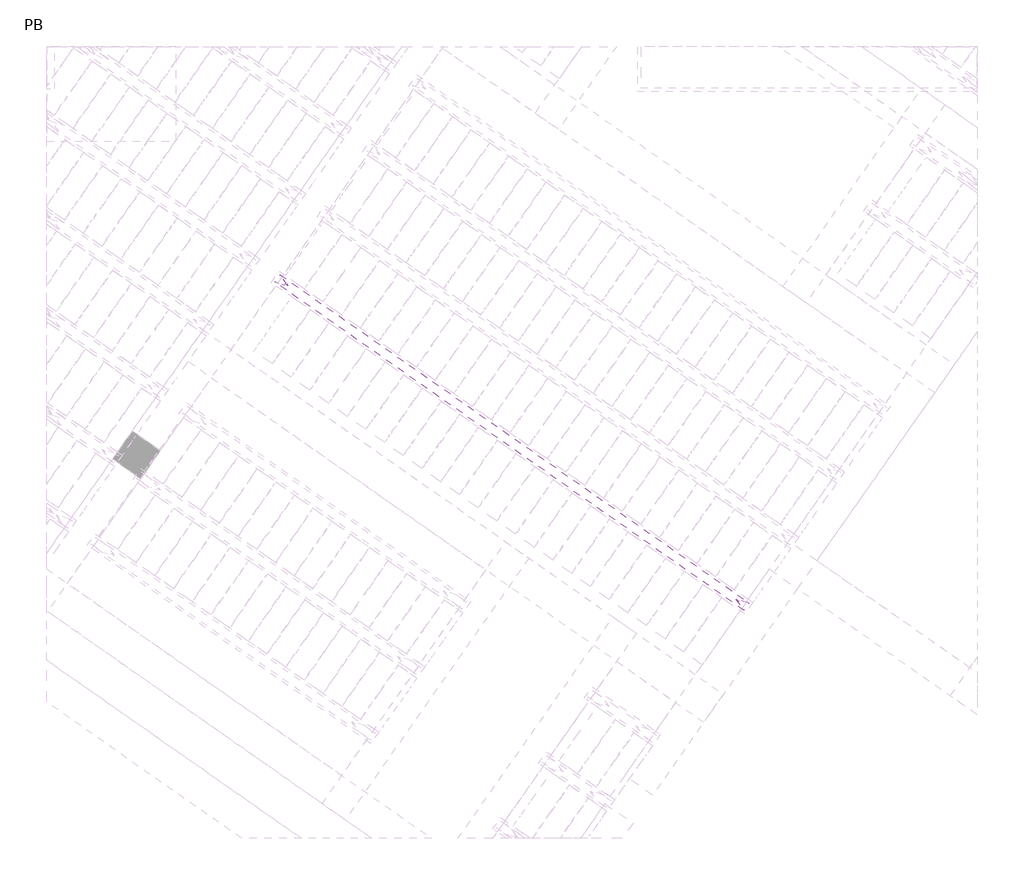
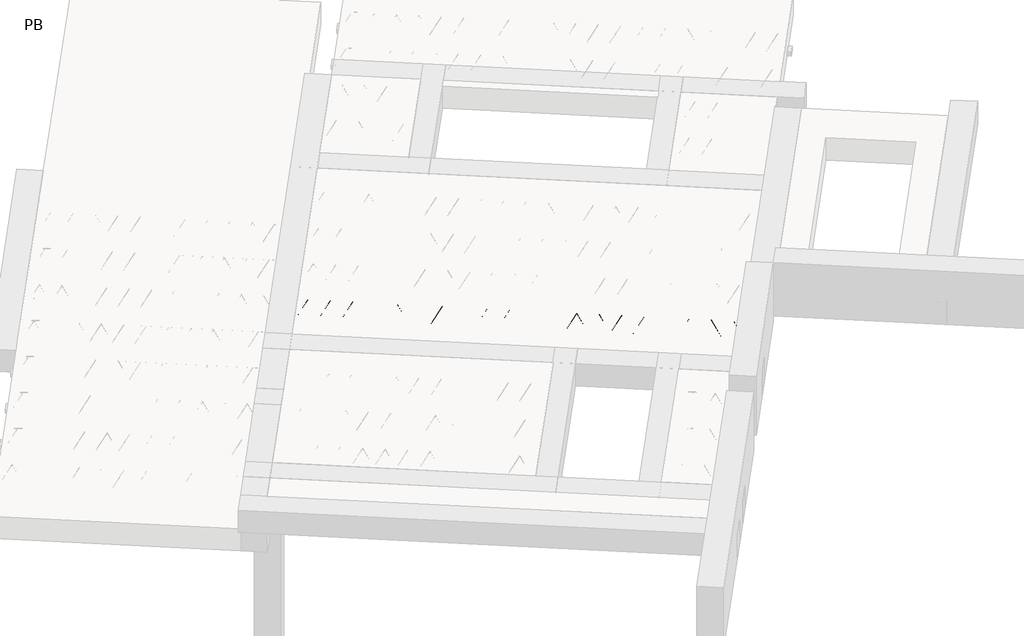
# One storey, part 19 of 56: 1 beam.
"""IFC4 building model written with IfcOpenShell, lengths in millimetres."""

from ifc_helpers import new_model, si_unit, point, frame, origin, origin_2d, place, context, project, spatial, circle_curve, trimmed, segment, composite_curve, outline, extrude, element, save

model = new_model("IFC4")

# Units and contexts
model_context = context("Model", 3, world=origin())
ifc_project = project(units=[si_unit("LENGTHUNIT", "METRE", prefix="MILLI")], contexts=[model_context])

# Site, building, storey
site = spatial("IfcSite", under=ifc_project)
building = spatial("IfcBuilding", under=site)
storey = spatial("IfcBuildingStorey", under=building, Name="PB", Elevation=95940.0)

# Beam
placement = place(None, origin())
element("IfcBeam", 1, at=placement, inside=storey, context=model_context, shape_type="SweptSolid", body=[
    extrude(outline(composite_curve([segment(trimmed(circle_curve(origin_2d(), 2.5), [point((-2.5, 0.0))], [point((2.5, 0.0))], False, "CARTESIAN"), True, "CONTINUOUS"), segment(trimmed(circle_curve(origin_2d(), 2.5), [point((2.5, 0.0))], [point((-2.5, 0.0))], False, "CARTESIAN"), True, "CONTINUOUS")], self_intersect=False)), frame((7469.0442231, 903.6349706, 99245.0), z_axis=(-0.8191520442696126, 0.5735764363787226, 0.0), x_axis=(0.5735764363787226, 0.8191520442696126, 0.0)), (0.0, 0.0, 1.0), 5017.554035),
    extrude(outline(composite_curve([segment(trimmed(circle_curve(origin_2d(), 2.5), [point((-2.4999999, 0.0))], [point((2.5, 0.0))], False, "CARTESIAN"), True, "CONTINUOUS"), segment(trimmed(circle_curve(origin_2d(), 2.5), [point((2.5, 0.0))], [point((-2.4999999, 0.0))], False, "CARTESIAN"), True, "CONTINUOUS")], self_intersect=False)), frame((7421.0668597, 981.1769673, 99470.0), z_axis=(-0.8191520442696126, 0.5735764363787226, 0.0), x_axis=(0.5735764363787226, 0.8191520442696126, 0.0)), (0.0, 0.0, 1.0), 4850.0),
    extrude(outline(composite_curve([segment(trimmed(circle_curve(origin_2d(), 2.5), [point((-2.5000001, 1e-07))], [point((2.5, 0.0))], False, "CARTESIAN"), True, "CONTINUOUS"), segment(trimmed(circle_curve(origin_2d(), 2.5), [point((2.5, 0.0))], [point((-2.5000001, 1e-07))], False, "CARTESIAN"), True, "CONTINUOUS")], self_intersect=False)), frame((7461.8545114, 908.669261, 99245.0), z_axis=(-0.3145304735701046, 0.38933448886848654, 0.8657304643902053), x_axis=(0.7778747638402499, 0.6284193279813057, 0.0)), (0.0, 0.0, 1.0), 259.8961331),
    extrude(outline(composite_curve([segment(trimmed(circle_curve(origin_2d(), 2.5), [point((2.5, 0.0))], [point((-2.5, 0.0))], False, "CARTESIAN"), True, "CONTINUOUS"), segment(trimmed(circle_curve(origin_2d(), 2.5), [point((-2.5, 0.0))], [point((2.5, 0.0))], False, "CARTESIAN"), True, "CONTINUOUS")], self_intersect=False)), frame((7257.0665003, 1052.0633701, 99245.0), z_axis=(0.47343050384693375, -0.16240172737369005, 0.8657304643902051), x_axis=(-0.3244721671091268, -0.9458952440791246, 0.0)), (0.0, 0.0, 1.0), 259.8961331),
    extrude(outline(composite_curve([segment(trimmed(circle_curve(origin_2d(), 2.5), [point((-2.5, 0.0))], [point((2.5, 0.0))], False, "CARTESIAN"), True, "CONTINUOUS"), segment(trimmed(circle_curve(origin_2d(), 2.5), [point((2.5, 0.0))], [point((-2.5, 0.0))], False, "CARTESIAN"), True, "CONTINUOUS")], self_intersect=False)), frame((7257.0665003, 1052.0633701, 99245.0), z_axis=(-0.3145304735701046, 0.38933448886848654, 0.8657304643902053), x_axis=(0.7778747638402499, 0.6284193279813057, 0.0)), (0.0, 0.0, 1.0), 259.8961331),
    extrude(outline(composite_curve([segment(trimmed(circle_curve(origin_2d(), 2.5), [point((2.5, 0.0))], [point((-2.5, 0.0))], False, "CARTESIAN"), True, "CONTINUOUS"), segment(trimmed(circle_curve(origin_2d(), 2.5), [point((-2.5, 0.0))], [point((2.5, 0.0))], False, "CARTESIAN"), True, "CONTINUOUS")], self_intersect=False)), frame((7052.2784892, 1195.4574792, 99245.0), z_axis=(0.47343050384693375, -0.16240172737369005, 0.8657304643902051), x_axis=(-0.3244721671091268, -0.9458952440791246, 0.0)), (0.0, 0.0, 1.0), 259.8961331),
    extrude(outline(composite_curve([segment(trimmed(circle_curve(origin_2d(), 2.5), [point((-2.5, 0.0))], [point((2.5, 0.0))], False, "CARTESIAN"), True, "CONTINUOUS"), segment(trimmed(circle_curve(origin_2d(), 2.5), [point((2.5, 0.0))], [point((-2.5, 0.0))], False, "CARTESIAN"), True, "CONTINUOUS")], self_intersect=False)), frame((7052.2784892, 1195.4574792, 99245.0), z_axis=(-0.3145304735701046, 0.38933448886848654, 0.8657304643902053), x_axis=(0.7778747638402499, 0.6284193279813057, 0.0)), (0.0, 0.0, 1.0), 259.8961331),
    extrude(outline(composite_curve([segment(trimmed(circle_curve(origin_2d(), 2.5), [point((2.5, 0.0))], [point((-2.5, 1e-07))], False, "CARTESIAN"), True, "CONTINUOUS"), segment(trimmed(circle_curve(origin_2d(), 2.5), [point((-2.5, 1e-07))], [point((2.5, 0.0))], False, "CARTESIAN"), True, "CONTINUOUS")], self_intersect=False)), frame((6847.4904781, 1338.8515883, 99245.0), z_axis=(0.47343050384693375, -0.16240172737369005, 0.8657304643902051), x_axis=(-0.3244721671091268, -0.9458952440791246, 0.0)), (0.0, 0.0, 1.0), 259.8961331),
    extrude(outline(composite_curve([segment(trimmed(circle_curve(origin_2d(), 2.5), [point((-2.5, 0.0))], [point((2.5, 0.0))], False, "CARTESIAN"), True, "CONTINUOUS"), segment(trimmed(circle_curve(origin_2d(), 2.5), [point((2.5, 0.0))], [point((-2.5, 0.0))], False, "CARTESIAN"), True, "CONTINUOUS")], self_intersect=False)), frame((6847.4904781, 1338.8515883, 99245.0), z_axis=(-0.3145304735701046, 0.38933448886848654, 0.8657304643902053), x_axis=(0.7778747638402499, 0.6284193279813057, 0.0)), (0.0, 0.0, 1.0), 259.8961331),
    extrude(outline(composite_curve([segment(trimmed(circle_curve(origin_2d(), 2.5), [point((2.5, 0.0))], [point((-2.5, 0.0))], False, "CARTESIAN"), True, "CONTINUOUS"), segment(trimmed(circle_curve(origin_2d(), 2.5), [point((-2.5, 0.0))], [point((2.5, 0.0))], False, "CARTESIAN"), True, "CONTINUOUS")], self_intersect=False)), frame((6642.7024671, 1482.2456974, 99245.0), z_axis=(0.47343050384693375, -0.16240172737369005, 0.8657304643902051), x_axis=(-0.3244721671091268, -0.9458952440791246, 0.0)), (0.0, 0.0, 1.0), 259.8961331),
    extrude(outline(composite_curve([segment(trimmed(circle_curve(origin_2d(), 2.5), [point((-2.5, 0.0))], [point((2.5, 1e-07))], False, "CARTESIAN"), True, "CONTINUOUS"), segment(trimmed(circle_curve(origin_2d(), 2.5), [point((2.5, 1e-07))], [point((-2.5, 0.0))], False, "CARTESIAN"), True, "CONTINUOUS")], self_intersect=False)), frame((6642.7024674, 1482.2456971, 99245.0), z_axis=(-0.3145304735701046, 0.38933448886848654, 0.8657304643902053), x_axis=(0.7778747638402499, 0.6284193279813057, 0.0)), (0.0, 0.0, 1.0), 259.8961331),
    extrude(outline(composite_curve([segment(trimmed(circle_curve(origin_2d(), 2.5), [point((2.5, 0.0))], [point((-2.5000001, 0.0))], False, "CARTESIAN"), True, "CONTINUOUS"), segment(trimmed(circle_curve(origin_2d(), 2.5), [point((-2.5000001, 0.0))], [point((2.5, 0.0))], False, "CARTESIAN"), True, "CONTINUOUS")], self_intersect=False)), frame((6437.9144563, 1625.6398062, 99245.0), z_axis=(0.47343050384693375, -0.16240172737369005, 0.8657304643902051), x_axis=(-0.3244721671091268, -0.9458952440791246, 0.0)), (0.0, 0.0, 1.0), 259.8961331),
    extrude(outline(composite_curve([segment(trimmed(circle_curve(origin_2d(), 2.5), [point((-2.5, 0.0))], [point((2.5, 1e-07))], False, "CARTESIAN"), True, "CONTINUOUS"), segment(trimmed(circle_curve(origin_2d(), 2.5), [point((2.5, 1e-07))], [point((-2.5, 0.0))], False, "CARTESIAN"), True, "CONTINUOUS")], self_intersect=False)), frame((6437.9144563, 1625.6398062, 99245.0), z_axis=(-0.3145304735701046, 0.38933448886848654, 0.8657304643902053), x_axis=(0.7778747638402499, 0.6284193279813057, 0.0)), (0.0, 0.0, 1.0), 259.8961331),
    extrude(outline(composite_curve([segment(trimmed(circle_curve(origin_2d(), 2.5), [point((2.5, -1e-07))], [point((-2.5, 0.0))], False, "CARTESIAN"), True, "CONTINUOUS"), segment(trimmed(circle_curve(origin_2d(), 2.5), [point((-2.5, 0.0))], [point((2.5, -1e-07))], False, "CARTESIAN"), True, "CONTINUOUS")], self_intersect=False)), frame((6233.1264453, 1769.0339153, 99245.0), z_axis=(0.47343050384693375, -0.16240172737369005, 0.8657304643902051), x_axis=(-0.3244721671091268, -0.9458952440791246, 0.0)), (0.0, 0.0, 1.0), 259.8961331),
    extrude(outline(composite_curve([segment(trimmed(circle_curve(origin_2d(), 2.5), [point((-2.5, 0.0))], [point((2.5, 1e-07))], False, "CARTESIAN"), True, "CONTINUOUS"), segment(trimmed(circle_curve(origin_2d(), 2.5), [point((2.5, 1e-07))], [point((-2.5, 0.0))], False, "CARTESIAN"), True, "CONTINUOUS")], self_intersect=False)), frame((6233.1264453, 1769.0339153, 99245.0), z_axis=(-0.3145304735701046, 0.38933448886848654, 0.8657304643902053), x_axis=(0.7778747638402499, 0.6284193279813057, 0.0)), (0.0, 0.0, 1.0), 259.8961331),
    extrude(outline(composite_curve([segment(trimmed(circle_curve(origin_2d(), 2.5), [point((2.5, 0.0))], [point((-2.5, 0.0))], False, "CARTESIAN"), True, "CONTINUOUS"), segment(trimmed(circle_curve(origin_2d(), 2.5), [point((-2.5, 0.0))], [point((2.5, 0.0))], False, "CARTESIAN"), True, "CONTINUOUS")], self_intersect=False)), frame((6028.3384342, 1912.4280244, 99245.0), z_axis=(0.47343050384693375, -0.16240172737369005, 0.8657304643902051), x_axis=(-0.3244721671091268, -0.9458952440791246, 0.0)), (0.0, 0.0, 1.0), 259.8961331),
    extrude(outline(composite_curve([segment(trimmed(circle_curve(origin_2d(), 2.5), [point((-2.5, 0.0))], [point((2.5, 1e-07))], False, "CARTESIAN"), True, "CONTINUOUS"), segment(trimmed(circle_curve(origin_2d(), 2.5), [point((2.5, 1e-07))], [point((-2.5, 0.0))], False, "CARTESIAN"), True, "CONTINUOUS")], self_intersect=False)), frame((6028.3384342, 1912.4280244, 99245.0), z_axis=(-0.3145304735701046, 0.38933448886848654, 0.8657304643902053), x_axis=(0.7778747638402499, 0.6284193279813057, 0.0)), (0.0, 0.0, 1.0), 259.8961331),
    extrude(outline(composite_curve([segment(trimmed(circle_curve(origin_2d(), 2.5), [point((2.5, 0.0))], [point((-2.5, 0.0))], False, "CARTESIAN"), True, "CONTINUOUS"), segment(trimmed(circle_curve(origin_2d(), 2.5), [point((-2.5, 0.0))], [point((2.5, 0.0))], False, "CARTESIAN"), True, "CONTINUOUS")], self_intersect=False)), frame((5823.5504231, 2055.8221335, 99245.0), z_axis=(0.47343050384693375, -0.16240172737369005, 0.8657304643902051), x_axis=(-0.3244721671091268, -0.9458952440791246, 0.0)), (0.0, 0.0, 1.0), 259.8961331),
    extrude(outline(composite_curve([segment(trimmed(circle_curve(origin_2d(), 2.5), [point((-2.5, 0.0))], [point((2.5, 0.0))], False, "CARTESIAN"), True, "CONTINUOUS"), segment(trimmed(circle_curve(origin_2d(), 2.5), [point((2.5, 0.0))], [point((-2.5, 0.0))], False, "CARTESIAN"), True, "CONTINUOUS")], self_intersect=False)), frame((5823.5504231, 2055.8221335, 99245.0), z_axis=(-0.3145304735701046, 0.38933448886848654, 0.8657304643902053), x_axis=(0.7778747638402499, 0.6284193279813057, 0.0)), (0.0, 0.0, 1.0), 259.8961331),
    extrude(outline(composite_curve([segment(trimmed(circle_curve(origin_2d(), 2.5), [point((2.5, -1e-07))], [point((-2.5, 0.0))], False, "CARTESIAN"), True, "CONTINUOUS"), segment(trimmed(circle_curve(origin_2d(), 2.5), [point((-2.5, 0.0))], [point((2.5, -1e-07))], False, "CARTESIAN"), True, "CONTINUOUS")], self_intersect=False)), frame((5618.7624121, 2199.2162426, 99245.0), z_axis=(0.47343050384693375, -0.16240172737369005, 0.8657304643902051), x_axis=(-0.3244721671091268, -0.9458952440791246, 0.0)), (0.0, 0.0, 1.0), 259.8961331),
    extrude(outline(composite_curve([segment(trimmed(circle_curve(origin_2d(), 2.5), [point((-2.5, 0.0))], [point((2.5, 0.0))], False, "CARTESIAN"), True, "CONTINUOUS"), segment(trimmed(circle_curve(origin_2d(), 2.5), [point((2.5, 0.0))], [point((-2.5, 0.0))], False, "CARTESIAN"), True, "CONTINUOUS")], self_intersect=False)), frame((5618.7624121, 2199.2162426, 99245.0), z_axis=(-0.3145304735701046, 0.38933448886848654, 0.8657304643902053), x_axis=(0.7778747638402499, 0.6284193279813057, 0.0)), (0.0, 0.0, 1.0), 259.8961331),
    extrude(outline(composite_curve([segment(trimmed(circle_curve(origin_2d(), 2.5), [point((2.5, 0.0))], [point((-2.5, 0.0))], False, "CARTESIAN"), True, "CONTINUOUS"), segment(trimmed(circle_curve(origin_2d(), 2.5), [point((-2.5, 0.0))], [point((2.5, 0.0))], False, "CARTESIAN"), True, "CONTINUOUS")], self_intersect=False)), frame((5413.974401, 2342.6103517, 99245.0), z_axis=(0.47343050384693375, -0.16240172737369005, 0.8657304643902051), x_axis=(-0.3244721671091268, -0.9458952440791246, 0.0)), (0.0, 0.0, 1.0), 259.8961331),
    extrude(outline(composite_curve([segment(trimmed(circle_curve(origin_2d(), 2.5), [point((-2.5, 0.0))], [point((2.5, 0.0))], False, "CARTESIAN"), True, "CONTINUOUS"), segment(trimmed(circle_curve(origin_2d(), 2.5), [point((2.5, 0.0))], [point((-2.5, 0.0))], False, "CARTESIAN"), True, "CONTINUOUS")], self_intersect=False)), frame((5413.974401, 2342.6103517, 99245.0), z_axis=(-0.3145304735701046, 0.38933448886848654, 0.8657304643902053), x_axis=(0.7778747638402499, 0.6284193279813057, 0.0)), (0.0, 0.0, 1.0), 259.8961331),
    extrude(outline(composite_curve([segment(trimmed(circle_curve(origin_2d(), 2.5), [point((2.5, 0.0))], [point((-2.5, 0.0))], False, "CARTESIAN"), True, "CONTINUOUS"), segment(trimmed(circle_curve(origin_2d(), 2.5), [point((-2.5, 0.0))], [point((2.5, 0.0))], False, "CARTESIAN"), True, "CONTINUOUS")], self_intersect=False)), frame((5209.1863899, 2486.0044608, 99245.0), z_axis=(0.47343050384693375, -0.16240172737369005, 0.8657304643902051), x_axis=(-0.3244721671091268, -0.9458952440791246, 0.0)), (0.0, 0.0, 1.0), 259.8961331),
    extrude(outline(composite_curve([segment(trimmed(circle_curve(origin_2d(), 2.5), [point((-2.5, 0.0))], [point((2.5, 0.0))], False, "CARTESIAN"), True, "CONTINUOUS"), segment(trimmed(circle_curve(origin_2d(), 2.5), [point((2.5, 0.0))], [point((-2.5, 0.0))], False, "CARTESIAN"), True, "CONTINUOUS")], self_intersect=False)), frame((5209.1863899, 2486.0044608, 99245.0), z_axis=(-0.3145304735701046, 0.38933448886848654, 0.8657304643902053), x_axis=(0.7778747638402499, 0.6284193279813057, 0.0)), (0.0, 0.0, 1.0), 259.8961331),
    extrude(outline(composite_curve([segment(trimmed(circle_curve(origin_2d(), 2.5), [point((2.5, -1e-07))], [point((-2.5, 0.0))], False, "CARTESIAN"), True, "CONTINUOUS"), segment(trimmed(circle_curve(origin_2d(), 2.5), [point((-2.5, 0.0))], [point((2.5, -1e-07))], False, "CARTESIAN"), True, "CONTINUOUS")], self_intersect=False)), frame((5004.3983789, 2629.3985699, 99245.0), z_axis=(0.47343050384693375, -0.16240172737369005, 0.8657304643902051), x_axis=(-0.3244721671091268, -0.9458952440791246, 0.0)), (0.0, 0.0, 1.0), 259.8961331),
    extrude(outline(composite_curve([segment(trimmed(circle_curve(origin_2d(), 2.5), [point((-2.5000001, 1e-07))], [point((2.5, 0.0))], False, "CARTESIAN"), True, "CONTINUOUS"), segment(trimmed(circle_curve(origin_2d(), 2.5), [point((2.5, 0.0))], [point((-2.5000001, 1e-07))], False, "CARTESIAN"), True, "CONTINUOUS")], self_intersect=False)), frame((5004.3983789, 2629.3985699, 99245.0), z_axis=(-0.3145304735701046, 0.38933448886848654, 0.8657304643902053), x_axis=(0.7778747638402499, 0.6284193279813057, 0.0)), (0.0, 0.0, 1.0), 259.8961331),
    extrude(outline(composite_curve([segment(trimmed(circle_curve(origin_2d(), 2.5), [point((2.5, 0.0))], [point((-2.5, 0.0))], False, "CARTESIAN"), True, "CONTINUOUS"), segment(trimmed(circle_curve(origin_2d(), 2.5), [point((-2.5, 0.0))], [point((2.5, 0.0))], False, "CARTESIAN"), True, "CONTINUOUS")], self_intersect=False)), frame((4799.6103678, 2772.792679, 99245.0), z_axis=(0.47343050384693375, -0.16240172737369005, 0.8657304643902051), x_axis=(-0.3244721671091268, -0.9458952440791246, 0.0)), (0.0, 0.0, 1.0), 259.8961331),
    extrude(outline(composite_curve([segment(trimmed(circle_curve(origin_2d(), 2.5), [point((-2.5, 0.0))], [point((2.5, 0.0))], False, "CARTESIAN"), True, "CONTINUOUS"), segment(trimmed(circle_curve(origin_2d(), 2.5), [point((2.5, 0.0))], [point((-2.5, 0.0))], False, "CARTESIAN"), True, "CONTINUOUS")], self_intersect=False)), frame((4799.6103678, 2772.792679, 99245.0), z_axis=(-0.3145304735701046, 0.38933448886848654, 0.8657304643902053), x_axis=(0.7778747638402499, 0.6284193279813057, 0.0)), (0.0, 0.0, 1.0), 259.8961331),
    extrude(outline(composite_curve([segment(trimmed(circle_curve(origin_2d(), 2.5), [point((2.5, 0.0))], [point((-2.5, 0.0))], False, "CARTESIAN"), True, "CONTINUOUS"), segment(trimmed(circle_curve(origin_2d(), 2.5), [point((-2.5, 0.0))], [point((2.5, 0.0))], False, "CARTESIAN"), True, "CONTINUOUS")], self_intersect=False)), frame((4594.8223567, 2916.1867881, 99245.0), z_axis=(0.47343050384693375, -0.16240172737369005, 0.8657304643902051), x_axis=(-0.3244721671091268, -0.9458952440791246, 0.0)), (0.0, 0.0, 1.0), 259.8961331),
    extrude(outline(composite_curve([segment(trimmed(circle_curve(origin_2d(), 2.5), [point((-2.5, 0.0))], [point((2.5, 0.0))], False, "CARTESIAN"), True, "CONTINUOUS"), segment(trimmed(circle_curve(origin_2d(), 2.5), [point((2.5, 0.0))], [point((-2.5, 0.0))], False, "CARTESIAN"), True, "CONTINUOUS")], self_intersect=False)), frame((4594.8223567, 2916.1867881, 99245.0), z_axis=(-0.3145304735701046, 0.38933448886848654, 0.8657304643902053), x_axis=(0.7778747638402499, 0.6284193279813057, 0.0)), (0.0, 0.0, 1.0), 259.8961331),
    extrude(outline(composite_curve([segment(trimmed(circle_curve(origin_2d(), 2.5), [point((2.5, -1e-07))], [point((-2.5, 0.0))], False, "CARTESIAN"), True, "CONTINUOUS"), segment(trimmed(circle_curve(origin_2d(), 2.5), [point((-2.5, 0.0))], [point((2.5, -1e-07))], False, "CARTESIAN"), True, "CONTINUOUS")], self_intersect=False)), frame((4390.0343457, 3059.5808972, 99245.0), z_axis=(0.47343050384693375, -0.16240172737369005, 0.8657304643902051), x_axis=(-0.3244721671091268, -0.9458952440791246, 0.0)), (0.0, 0.0, 1.0), 259.8961331),
    extrude(outline(composite_curve([segment(trimmed(circle_curve(origin_2d(), 2.5), [point((-2.5000001, 1e-07))], [point((2.5, 0.0))], False, "CARTESIAN"), True, "CONTINUOUS"), segment(trimmed(circle_curve(origin_2d(), 2.5), [point((2.5, 0.0))], [point((-2.5000001, 1e-07))], False, "CARTESIAN"), True, "CONTINUOUS")], self_intersect=False)), frame((4390.0343457, 3059.5808972, 99245.0), z_axis=(-0.3145304735701046, 0.38933448886848654, 0.8657304643902053), x_axis=(0.7778747638402499, 0.6284193279813057, 0.0)), (0.0, 0.0, 1.0), 259.8961331),
    extrude(outline(composite_curve([segment(trimmed(circle_curve(origin_2d(), 2.5), [point((2.5, 0.0))], [point((-2.5, 0.0))], False, "CARTESIAN"), True, "CONTINUOUS"), segment(trimmed(circle_curve(origin_2d(), 2.5), [point((-2.5, 0.0))], [point((2.5, 0.0))], False, "CARTESIAN"), True, "CONTINUOUS")], self_intersect=False)), frame((4185.2463346, 3202.9750063, 99245.0), z_axis=(0.47343050384693375, -0.16240172737369005, 0.8657304643902051), x_axis=(-0.3244721671091268, -0.9458952440791246, 0.0)), (0.0, 0.0, 1.0), 259.8961331),
    extrude(outline(composite_curve([segment(trimmed(circle_curve(origin_2d(), 2.5), [point((-2.5, 0.0))], [point((2.5, 0.0))], False, "CARTESIAN"), True, "CONTINUOUS"), segment(trimmed(circle_curve(origin_2d(), 2.5), [point((2.5, 0.0))], [point((-2.5, 0.0))], False, "CARTESIAN"), True, "CONTINUOUS")], self_intersect=False)), frame((4185.2463346, 3202.9750063, 99245.0), z_axis=(-0.3145304735701046, 0.38933448886848654, 0.8657304643902053), x_axis=(0.7778747638402499, 0.6284193279813057, 0.0)), (0.0, 0.0, 1.0), 259.8961331),
    extrude(outline(composite_curve([segment(trimmed(circle_curve(origin_2d(), 2.5), [point((2.5, 0.0))], [point((-2.5, 0.0))], False, "CARTESIAN"), True, "CONTINUOUS"), segment(trimmed(circle_curve(origin_2d(), 2.5), [point((-2.5, 0.0))], [point((2.5, 0.0))], False, "CARTESIAN"), True, "CONTINUOUS")], self_intersect=False)), frame((3980.4583235, 3346.3691154, 99245.0), z_axis=(0.47343050384693375, -0.16240172737369005, 0.8657304643902051), x_axis=(-0.3244721671091268, -0.9458952440791246, 0.0)), (0.0, 0.0, 1.0), 259.8961331),
    extrude(outline(composite_curve([segment(trimmed(circle_curve(origin_2d(), 2.5), [point((-2.5, 0.0))], [point((2.5, 0.0))], False, "CARTESIAN"), True, "CONTINUOUS"), segment(trimmed(circle_curve(origin_2d(), 2.5), [point((2.5, 0.0))], [point((-2.5, 0.0))], False, "CARTESIAN"), True, "CONTINUOUS")], self_intersect=False)), frame((3980.4583235, 3346.3691154, 99245.0), z_axis=(-0.3145304735701046, 0.38933448886848654, 0.8657304643902053), x_axis=(0.7778747638402499, 0.6284193279813057, 0.0)), (0.0, 0.0, 1.0), 259.8961331),
    extrude(outline(composite_curve([segment(trimmed(circle_curve(origin_2d(), 2.5), [point((2.5, -1e-07))], [point((-2.5, 0.0))], False, "CARTESIAN"), True, "CONTINUOUS"), segment(trimmed(circle_curve(origin_2d(), 2.5), [point((-2.5, 0.0))], [point((2.5, -1e-07))], False, "CARTESIAN"), True, "CONTINUOUS")], self_intersect=False)), frame((3775.6703125, 3489.7632245, 99245.0), z_axis=(0.47343050384693375, -0.16240172737369005, 0.8657304643902051), x_axis=(-0.3244721671091268, -0.9458952440791246, 0.0)), (0.0, 0.0, 1.0), 259.8961331),
    extrude(outline(composite_curve([segment(trimmed(circle_curve(origin_2d(), 2.5), [point((-2.5000001, 1e-07))], [point((2.5, 0.0))], False, "CARTESIAN"), True, "CONTINUOUS"), segment(trimmed(circle_curve(origin_2d(), 2.5), [point((2.5, 0.0))], [point((-2.5000001, 1e-07))], False, "CARTESIAN"), True, "CONTINUOUS")], self_intersect=False)), frame((3775.6703125, 3489.7632245, 99245.0), z_axis=(-0.3145304735701046, 0.38933448886848654, 0.8657304643902053), x_axis=(0.7778747638402499, 0.6284193279813057, 0.0)), (0.0, 0.0, 1.0), 259.8961331),
    extrude(outline(composite_curve([segment(trimmed(circle_curve(origin_2d(), 2.5), [point((2.5, 0.0))], [point((-2.5, 0.0))], False, "CARTESIAN"), True, "CONTINUOUS"), segment(trimmed(circle_curve(origin_2d(), 2.5), [point((-2.5, 0.0))], [point((2.5, 0.0))], False, "CARTESIAN"), True, "CONTINUOUS")], self_intersect=False)), frame((3570.8823014, 3633.1573336, 99245.0), z_axis=(0.47343050384693375, -0.16240172737369005, 0.8657304643902051), x_axis=(-0.3244721671091268, -0.9458952440791246, 0.0)), (0.0, 0.0, 1.0), 259.8961331),
    extrude(outline(composite_curve([segment(trimmed(circle_curve(origin_2d(), 2.5), [point((-2.5, -1e-07))], [point((2.5, 0.0))], False, "CARTESIAN"), True, "CONTINUOUS"), segment(trimmed(circle_curve(origin_2d(), 2.5), [point((2.5, 0.0))], [point((-2.5, -1e-07))], False, "CARTESIAN"), True, "CONTINUOUS")], self_intersect=False)), frame((3570.8823014, 3633.1573336, 99245.0), z_axis=(-0.3145304735701046, 0.38933448886848654, 0.8657304643902053), x_axis=(0.7778747638402499, 0.6284193279813057, 0.0)), (0.0, 0.0, 1.0), 259.8961331),
    extrude(outline(composite_curve([segment(trimmed(circle_curve(origin_2d(), 2.5), [point((2.5, 0.0))], [point((-2.5, 0.0))], False, "CARTESIAN"), True, "CONTINUOUS"), segment(trimmed(circle_curve(origin_2d(), 2.5), [point((-2.5, 0.0))], [point((2.5, 0.0))], False, "CARTESIAN"), True, "CONTINUOUS")], self_intersect=False)), frame((3366.0942903, 3776.5514427, 99245.0), z_axis=(0.47343050384693375, -0.16240172737369005, 0.8657304643902051), x_axis=(-0.3244721671091268, -0.9458952440791246, 0.0)), (0.0, 0.0, 1.0), 259.8961331),
    extrude(outline(composite_curve([segment(trimmed(circle_curve(origin_2d(), 2.5), [point((-2.5, 0.0))], [point((2.5, 0.0))], False, "CARTESIAN"), True, "CONTINUOUS"), segment(trimmed(circle_curve(origin_2d(), 2.5), [point((2.5, 0.0))], [point((-2.5, 0.0))], False, "CARTESIAN"), True, "CONTINUOUS")], self_intersect=False)), frame((7510.3417265, 962.6139178, 99245.0), z_axis=(-0.8191520442696126, 0.5735764363787226, 0.0), x_axis=(0.5735764363787226, 0.8191520442696126, 0.0)), (0.0, 0.0, 1.0), 5017.554035),
    extrude(outline(composite_curve([segment(trimmed(circle_curve(origin_2d(), 2.5), [point((-2.5, 0.0))], [point((2.5, 0.0))], False, "CARTESIAN"), True, "CONTINUOUS"), segment(trimmed(circle_curve(origin_2d(), 2.5), [point((2.5, 0.0))], [point((-2.5, 0.0))], False, "CARTESIAN"), True, "CONTINUOUS")], self_intersect=False)), frame((7503.1520148, 967.6482082, 99245.0), z_axis=(-0.47343050384693375, 0.16240172737369005, 0.8657304643902051), x_axis=(0.3244721671091268, 0.9458952440791246, 0.0)), (0.0, 0.0, 1.0), 259.8961331),
    extrude(outline(composite_curve([segment(trimmed(circle_curve(origin_2d(), 2.5), [point((2.5, 0.0))], [point((-2.5, 0.0))], False, "CARTESIAN"), True, "CONTINUOUS"), segment(trimmed(circle_curve(origin_2d(), 2.5), [point((-2.5, 0.0))], [point((2.5, 0.0))], False, "CARTESIAN"), True, "CONTINUOUS")], self_intersect=False)), frame((7298.3640037, 1111.0423173, 99245.0), z_axis=(0.3145304735701046, -0.38933448886848654, 0.8657304643902053), x_axis=(-0.7778747638402499, -0.6284193279813057, 0.0)), (0.0, 0.0, 1.0), 259.8961331),
    extrude(outline(composite_curve([segment(trimmed(circle_curve(origin_2d(), 2.5), [point((-2.5, 0.0))], [point((2.5, 0.0))], False, "CARTESIAN"), True, "CONTINUOUS"), segment(trimmed(circle_curve(origin_2d(), 2.5), [point((2.5, 0.0))], [point((-2.5, 0.0))], False, "CARTESIAN"), True, "CONTINUOUS")], self_intersect=False)), frame((7298.3640037, 1111.0423173, 99245.0), z_axis=(-0.47343050384693375, 0.16240172737369005, 0.8657304643902051), x_axis=(0.3244721671091268, 0.9458952440791246, 0.0)), (0.0, 0.0, 1.0), 259.8961331),
    extrude(outline(composite_curve([segment(trimmed(circle_curve(origin_2d(), 2.5), [point((2.5, 0.0))], [point((-2.5, 0.0))], False, "CARTESIAN"), True, "CONTINUOUS"), segment(trimmed(circle_curve(origin_2d(), 2.5), [point((-2.5, 0.0))], [point((2.5, 0.0))], False, "CARTESIAN"), True, "CONTINUOUS")], self_intersect=False)), frame((7093.5759926, 1254.4364264, 99245.0), z_axis=(0.3145304735701046, -0.38933448886848654, 0.8657304643902053), x_axis=(-0.7778747638402499, -0.6284193279813057, 0.0)), (0.0, 0.0, 1.0), 259.8961331),
    extrude(outline(composite_curve([segment(trimmed(circle_curve(origin_2d(), 2.5), [point((-2.5, 0.0))], [point((2.5, 0.0))], False, "CARTESIAN"), True, "CONTINUOUS"), segment(trimmed(circle_curve(origin_2d(), 2.5), [point((2.5, 0.0))], [point((-2.5, 0.0))], False, "CARTESIAN"), True, "CONTINUOUS")], self_intersect=False)), frame((7093.5759926, 1254.4364264, 99245.0), z_axis=(-0.47343050384693375, 0.16240172737369005, 0.8657304643902051), x_axis=(0.3244721671091268, 0.9458952440791246, 0.0)), (0.0, 0.0, 1.0), 259.8961331),
    extrude(outline(composite_curve([segment(trimmed(circle_curve(origin_2d(), 2.5), [point((2.5000001, 0.0))], [point((-2.5, 0.0))], False, "CARTESIAN"), True, "CONTINUOUS"), segment(trimmed(circle_curve(origin_2d(), 2.5), [point((-2.5, 0.0))], [point((2.5000001, 0.0))], False, "CARTESIAN"), True, "CONTINUOUS")], self_intersect=False)), frame((6888.7879816, 1397.8305355, 99245.0), z_axis=(0.3145304735701046, -0.38933448886848654, 0.8657304643902053), x_axis=(-0.7778747638402499, -0.6284193279813057, 0.0)), (0.0, 0.0, 1.0), 259.8961331),
    extrude(outline(composite_curve([segment(trimmed(circle_curve(origin_2d(), 2.5), [point((-2.5, 1e-07))], [point((2.5, 0.0))], False, "CARTESIAN"), True, "CONTINUOUS"), segment(trimmed(circle_curve(origin_2d(), 2.5), [point((2.5, 0.0))], [point((-2.5, 1e-07))], False, "CARTESIAN"), True, "CONTINUOUS")], self_intersect=False)), frame((6888.7879816, 1397.8305355, 99245.0), z_axis=(-0.47343050384693375, 0.16240172737369005, 0.8657304643902051), x_axis=(0.3244721671091268, 0.9458952440791246, 0.0)), (0.0, 0.0, 1.0), 259.8961331),
    extrude(outline(composite_curve([segment(trimmed(circle_curve(origin_2d(), 2.5), [point((2.5, 1e-07))], [point((-2.5, 0.0))], False, "CARTESIAN"), True, "CONTINUOUS"), segment(trimmed(circle_curve(origin_2d(), 2.5), [point((-2.5, 0.0))], [point((2.5, 1e-07))], False, "CARTESIAN"), True, "CONTINUOUS")], self_intersect=False)), frame((6683.9999705, 1541.2246446, 99245.0), z_axis=(0.3145304735701046, -0.38933448886848654, 0.8657304643902053), x_axis=(-0.7778747638402499, -0.6284193279813057, 0.0)), (0.0, 0.0, 1.0), 259.8961331),
    extrude(outline(composite_curve([segment(trimmed(circle_curve(origin_2d(), 2.5), [point((-2.5, 0.0))], [point((2.5, 0.0))], False, "CARTESIAN"), True, "CONTINUOUS"), segment(trimmed(circle_curve(origin_2d(), 2.5), [point((2.5, 0.0))], [point((-2.5, 0.0))], False, "CARTESIAN"), True, "CONTINUOUS")], self_intersect=False)), frame((6683.9999708, 1541.2246443, 99245.0), z_axis=(-0.47343050384693375, 0.16240172737369005, 0.8657304643902051), x_axis=(0.3244721671091268, 0.9458952440791246, 0.0)), (0.0, 0.0, 1.0), 259.8961331),
    extrude(outline(composite_curve([segment(trimmed(circle_curve(origin_2d(), 2.5), [point((2.5000001, -1e-07))], [point((-2.5, 0.0))], False, "CARTESIAN"), True, "CONTINUOUS"), segment(trimmed(circle_curve(origin_2d(), 2.5), [point((-2.5, 0.0))], [point((2.5000001, -1e-07))], False, "CARTESIAN"), True, "CONTINUOUS")], self_intersect=False)), frame((6479.2119598, 1684.6187534, 99245.0), z_axis=(0.3145304735701046, -0.38933448886848654, 0.8657304643902053), x_axis=(-0.7778747638402499, -0.6284193279813057, 0.0)), (0.0, 0.0, 1.0), 259.8961331),
    extrude(outline(composite_curve([segment(trimmed(circle_curve(origin_2d(), 2.5), [point((-2.5, 0.0))], [point((2.5, -1e-07))], False, "CARTESIAN"), True, "CONTINUOUS"), segment(trimmed(circle_curve(origin_2d(), 2.5), [point((2.5, -1e-07))], [point((-2.5, 0.0))], False, "CARTESIAN"), True, "CONTINUOUS")], self_intersect=False)), frame((6479.2119597, 1684.6187534, 99245.0), z_axis=(-0.47343050384693375, 0.16240172737369005, 0.8657304643902051), x_axis=(0.3244721671091268, 0.9458952440791246, 0.0)), (0.0, 0.0, 1.0), 259.8961331),
    extrude(outline(composite_curve([segment(trimmed(circle_curve(origin_2d(), 2.5), [point((2.5, 0.0))], [point((-2.5, 0.0))], False, "CARTESIAN"), True, "CONTINUOUS"), segment(trimmed(circle_curve(origin_2d(), 2.5), [point((-2.5, 0.0))], [point((2.5, 0.0))], False, "CARTESIAN"), True, "CONTINUOUS")], self_intersect=False)), frame((6274.4239487, 1828.0128625, 99245.0), z_axis=(0.3145304735701046, -0.38933448886848654, 0.8657304643902053), x_axis=(-0.7778747638402499, -0.6284193279813057, 0.0)), (0.0, 0.0, 1.0), 259.8961331),
    extrude(outline(composite_curve([segment(trimmed(circle_curve(origin_2d(), 2.5), [point((-2.5, 0.0))], [point((2.5, 0.0))], False, "CARTESIAN"), True, "CONTINUOUS"), segment(trimmed(circle_curve(origin_2d(), 2.5), [point((2.5, 0.0))], [point((-2.5, 0.0))], False, "CARTESIAN"), True, "CONTINUOUS")], self_intersect=False)), frame((6274.4239487, 1828.0128625, 99245.0), z_axis=(-0.47343050384693375, 0.16240172737369005, 0.8657304643902051), x_axis=(0.3244721671091268, 0.9458952440791246, 0.0)), (0.0, 0.0, 1.0), 259.8961331),
    extrude(outline(composite_curve([segment(trimmed(circle_curve(origin_2d(), 2.5), [point((2.5, 0.0))], [point((-2.5, 0.0))], False, "CARTESIAN"), True, "CONTINUOUS"), segment(trimmed(circle_curve(origin_2d(), 2.5), [point((-2.5, 0.0))], [point((2.5, 0.0))], False, "CARTESIAN"), True, "CONTINUOUS")], self_intersect=False)), frame((6069.6359376, 1971.4069716, 99245.0), z_axis=(0.3145304735701046, -0.38933448886848654, 0.8657304643902053), x_axis=(-0.7778747638402499, -0.6284193279813057, 0.0)), (0.0, 0.0, 1.0), 259.8961331),
    extrude(outline(composite_curve([segment(trimmed(circle_curve(origin_2d(), 2.5), [point((-2.5, 0.0))], [point((2.5, 0.0))], False, "CARTESIAN"), True, "CONTINUOUS"), segment(trimmed(circle_curve(origin_2d(), 2.5), [point((2.5, 0.0))], [point((-2.5, 0.0))], False, "CARTESIAN"), True, "CONTINUOUS")], self_intersect=False)), frame((6069.6359376, 1971.4069716, 99245.0), z_axis=(-0.47343050384693375, 0.16240172737369005, 0.8657304643902051), x_axis=(0.3244721671091268, 0.9458952440791246, 0.0)), (0.0, 0.0, 1.0), 259.8961331),
    extrude(outline(composite_curve([segment(trimmed(circle_curve(origin_2d(), 2.5), [point((2.5, 0.0))], [point((-2.5000001, 1e-07))], False, "CARTESIAN"), True, "CONTINUOUS"), segment(trimmed(circle_curve(origin_2d(), 2.5), [point((-2.5000001, 1e-07))], [point((2.5, 0.0))], False, "CARTESIAN"), True, "CONTINUOUS")], self_intersect=False)), frame((5864.8479265, 2114.8010807, 99245.0), z_axis=(0.3145304735701046, -0.38933448886848654, 0.8657304643902053), x_axis=(-0.7778747638402499, -0.6284193279813057, 0.0)), (0.0, 0.0, 1.0), 259.8961331),
    extrude(outline(composite_curve([segment(trimmed(circle_curve(origin_2d(), 2.5), [point((-2.5, 0.0))], [point((2.5, -1e-07))], False, "CARTESIAN"), True, "CONTINUOUS"), segment(trimmed(circle_curve(origin_2d(), 2.5), [point((2.5, -1e-07))], [point((-2.5, 0.0))], False, "CARTESIAN"), True, "CONTINUOUS")], self_intersect=False)), frame((5864.8479265, 2114.8010807, 99245.0), z_axis=(-0.47343050384693375, 0.16240172737369005, 0.8657304643902051), x_axis=(0.3244721671091268, 0.9458952440791246, 0.0)), (0.0, 0.0, 1.0), 259.8961331),
    extrude(outline(composite_curve([segment(trimmed(circle_curve(origin_2d(), 2.5), [point((2.5, 0.0))], [point((-2.5, 0.0))], False, "CARTESIAN"), True, "CONTINUOUS"), segment(trimmed(circle_curve(origin_2d(), 2.5), [point((-2.5, 0.0))], [point((2.5, 0.0))], False, "CARTESIAN"), True, "CONTINUOUS")], self_intersect=False)), frame((5660.0599155, 2258.1951898, 99245.0), z_axis=(0.3145304735701046, -0.38933448886848654, 0.8657304643902053), x_axis=(-0.7778747638402499, -0.6284193279813057, 0.0)), (0.0, 0.0, 1.0), 259.8961331),
    extrude(outline(composite_curve([segment(trimmed(circle_curve(origin_2d(), 2.5), [point((-2.5, 0.0))], [point((2.5, 0.0))], False, "CARTESIAN"), True, "CONTINUOUS"), segment(trimmed(circle_curve(origin_2d(), 2.5), [point((2.5, 0.0))], [point((-2.5, 0.0))], False, "CARTESIAN"), True, "CONTINUOUS")], self_intersect=False)), frame((5660.0599155, 2258.1951898, 99245.0), z_axis=(-0.47343050384693375, 0.16240172737369005, 0.8657304643902051), x_axis=(0.3244721671091268, 0.9458952440791246, 0.0)), (0.0, 0.0, 1.0), 259.8961331),
    extrude(outline(composite_curve([segment(trimmed(circle_curve(origin_2d(), 2.5), [point((2.5, 0.0))], [point((-2.5, 0.0))], False, "CARTESIAN"), True, "CONTINUOUS"), segment(trimmed(circle_curve(origin_2d(), 2.5), [point((-2.5, 0.0))], [point((2.5, 0.0))], False, "CARTESIAN"), True, "CONTINUOUS")], self_intersect=False)), frame((5455.2719044, 2401.5892989, 99245.0), z_axis=(0.3145304735701046, -0.38933448886848654, 0.8657304643902053), x_axis=(-0.7778747638402499, -0.6284193279813057, 0.0)), (0.0, 0.0, 1.0), 259.8961331),
    extrude(outline(composite_curve([segment(trimmed(circle_curve(origin_2d(), 2.5), [point((-2.5, 0.0))], [point((2.5, 0.0))], False, "CARTESIAN"), True, "CONTINUOUS"), segment(trimmed(circle_curve(origin_2d(), 2.5), [point((2.5, 0.0))], [point((-2.5, 0.0))], False, "CARTESIAN"), True, "CONTINUOUS")], self_intersect=False)), frame((5455.2719044, 2401.5892989, 99245.0), z_axis=(-0.47343050384693375, 0.16240172737369005, 0.8657304643902051), x_axis=(0.3244721671091268, 0.9458952440791246, 0.0)), (0.0, 0.0, 1.0), 259.8961331),
    extrude(outline(composite_curve([segment(trimmed(circle_curve(origin_2d(), 2.5), [point((2.5, 0.0))], [point((-2.5000001, 1e-07))], False, "CARTESIAN"), True, "CONTINUOUS"), segment(trimmed(circle_curve(origin_2d(), 2.5), [point((-2.5000001, 1e-07))], [point((2.5, 0.0))], False, "CARTESIAN"), True, "CONTINUOUS")], self_intersect=False)), frame((5250.4838933, 2544.983408, 99245.0), z_axis=(0.3145304735701046, -0.38933448886848654, 0.8657304643902053), x_axis=(-0.7778747638402499, -0.6284193279813057, 0.0)), (0.0, 0.0, 1.0), 259.8961331),
    extrude(outline(composite_curve([segment(trimmed(circle_curve(origin_2d(), 2.5), [point((-2.5, 0.0))], [point((2.5, -1e-07))], False, "CARTESIAN"), True, "CONTINUOUS"), segment(trimmed(circle_curve(origin_2d(), 2.5), [point((2.5, -1e-07))], [point((-2.5, 0.0))], False, "CARTESIAN"), True, "CONTINUOUS")], self_intersect=False)), frame((5250.4838933, 2544.983408, 99245.0), z_axis=(-0.47343050384693375, 0.16240172737369005, 0.8657304643902051), x_axis=(0.3244721671091268, 0.9458952440791246, 0.0)), (0.0, 0.0, 1.0), 259.8961331),
    extrude(outline(composite_curve([segment(trimmed(circle_curve(origin_2d(), 2.5), [point((2.5, 0.0))], [point((-2.5, 0.0))], False, "CARTESIAN"), True, "CONTINUOUS"), segment(trimmed(circle_curve(origin_2d(), 2.5), [point((-2.5, 0.0))], [point((2.5, 0.0))], False, "CARTESIAN"), True, "CONTINUOUS")], self_intersect=False)), frame((5045.6958823, 2688.3775171, 99245.0), z_axis=(0.3145304735701046, -0.38933448886848654, 0.8657304643902053), x_axis=(-0.7778747638402499, -0.6284193279813057, 0.0)), (0.0, 0.0, 1.0), 259.8961331),
    extrude(outline(composite_curve([segment(trimmed(circle_curve(origin_2d(), 2.5), [point((-2.5, 0.0))], [point((2.5, 0.0))], False, "CARTESIAN"), True, "CONTINUOUS"), segment(trimmed(circle_curve(origin_2d(), 2.5), [point((2.5, 0.0))], [point((-2.5, 0.0))], False, "CARTESIAN"), True, "CONTINUOUS")], self_intersect=False)), frame((5045.6958823, 2688.3775171, 99245.0), z_axis=(-0.47343050384693375, 0.16240172737369005, 0.8657304643902051), x_axis=(0.3244721671091268, 0.9458952440791246, 0.0)), (0.0, 0.0, 1.0), 259.8961331),
    extrude(outline(composite_curve([segment(trimmed(circle_curve(origin_2d(), 2.5), [point((2.5, 0.0))], [point((-2.5, 0.0))], False, "CARTESIAN"), True, "CONTINUOUS"), segment(trimmed(circle_curve(origin_2d(), 2.5), [point((-2.5, 0.0))], [point((2.5, 0.0))], False, "CARTESIAN"), True, "CONTINUOUS")], self_intersect=False)), frame((4840.9078712, 2831.7716262, 99245.0), z_axis=(0.3145304735701046, -0.38933448886848654, 0.8657304643902053), x_axis=(-0.7778747638402499, -0.6284193279813057, 0.0)), (0.0, 0.0, 1.0), 259.8961331),
    extrude(outline(composite_curve([segment(trimmed(circle_curve(origin_2d(), 2.5), [point((-2.5, 0.0))], [point((2.5, 0.0))], False, "CARTESIAN"), True, "CONTINUOUS"), segment(trimmed(circle_curve(origin_2d(), 2.5), [point((2.5, 0.0))], [point((-2.5, 0.0))], False, "CARTESIAN"), True, "CONTINUOUS")], self_intersect=False)), frame((4840.9078712, 2831.7716262, 99245.0), z_axis=(-0.47343050384693375, 0.16240172737369005, 0.8657304643902051), x_axis=(0.3244721671091268, 0.9458952440791246, 0.0)), (0.0, 0.0, 1.0), 259.8961331),
    extrude(outline(composite_curve([segment(trimmed(circle_curve(origin_2d(), 2.5), [point((2.5, 0.0))], [point((-2.5000001, 1e-07))], False, "CARTESIAN"), True, "CONTINUOUS"), segment(trimmed(circle_curve(origin_2d(), 2.5), [point((-2.5000001, 1e-07))], [point((2.5, 0.0))], False, "CARTESIAN"), True, "CONTINUOUS")], self_intersect=False)), frame((4636.1198601, 2975.1657353, 99245.0), z_axis=(0.3145304735701046, -0.38933448886848654, 0.8657304643902053), x_axis=(-0.7778747638402499, -0.6284193279813057, 0.0)), (0.0, 0.0, 1.0), 259.8961331),
    extrude(outline(composite_curve([segment(trimmed(circle_curve(origin_2d(), 2.5), [point((-2.5, 0.0))], [point((2.5, -1e-07))], False, "CARTESIAN"), True, "CONTINUOUS"), segment(trimmed(circle_curve(origin_2d(), 2.5), [point((2.5, -1e-07))], [point((-2.5, 0.0))], False, "CARTESIAN"), True, "CONTINUOUS")], self_intersect=False)), frame((4636.1198601, 2975.1657353, 99245.0), z_axis=(-0.47343050384693375, 0.16240172737369005, 0.8657304643902051), x_axis=(0.3244721671091268, 0.9458952440791246, 0.0)), (0.0, 0.0, 1.0), 259.8961331),
    extrude(outline(composite_curve([segment(trimmed(circle_curve(origin_2d(), 2.5), [point((2.5, 0.0))], [point((-2.5, 0.0))], False, "CARTESIAN"), True, "CONTINUOUS"), segment(trimmed(circle_curve(origin_2d(), 2.5), [point((-2.5, 0.0))], [point((2.5, 0.0))], False, "CARTESIAN"), True, "CONTINUOUS")], self_intersect=False)), frame((4431.3318491, 3118.5598444, 99245.0), z_axis=(0.3145304735701046, -0.38933448886848654, 0.8657304643902053), x_axis=(-0.7778747638402499, -0.6284193279813057, 0.0)), (0.0, 0.0, 1.0), 259.8961331),
    extrude(outline(composite_curve([segment(trimmed(circle_curve(origin_2d(), 2.5), [point((-2.5, 0.0))], [point((2.5, 0.0))], False, "CARTESIAN"), True, "CONTINUOUS"), segment(trimmed(circle_curve(origin_2d(), 2.5), [point((2.5, 0.0))], [point((-2.5, 0.0))], False, "CARTESIAN"), True, "CONTINUOUS")], self_intersect=False)), frame((4431.3318491, 3118.5598444, 99245.0), z_axis=(-0.47343050384693375, 0.16240172737369005, 0.8657304643902051), x_axis=(0.3244721671091268, 0.9458952440791246, 0.0)), (0.0, 0.0, 1.0), 259.8961331),
    extrude(outline(composite_curve([segment(trimmed(circle_curve(origin_2d(), 2.5), [point((2.5, 1e-07))], [point((-2.5, 0.0))], False, "CARTESIAN"), True, "CONTINUOUS"), segment(trimmed(circle_curve(origin_2d(), 2.5), [point((-2.5, 0.0))], [point((2.5, 1e-07))], False, "CARTESIAN"), True, "CONTINUOUS")], self_intersect=False)), frame((4226.543838, 3261.9539535, 99245.0), z_axis=(0.3145304735701046, -0.38933448886848654, 0.8657304643902053), x_axis=(-0.7778747638402499, -0.6284193279813057, 0.0)), (0.0, 0.0, 1.0), 259.8961331),
    extrude(outline(composite_curve([segment(trimmed(circle_curve(origin_2d(), 2.5), [point((-2.5, 0.0))], [point((2.5, 0.0))], False, "CARTESIAN"), True, "CONTINUOUS"), segment(trimmed(circle_curve(origin_2d(), 2.5), [point((2.5, 0.0))], [point((-2.5, 0.0))], False, "CARTESIAN"), True, "CONTINUOUS")], self_intersect=False)), frame((4226.543838, 3261.9539535, 99245.0), z_axis=(-0.47343050384693375, 0.16240172737369005, 0.8657304643902051), x_axis=(0.3244721671091268, 0.9458952440791246, 0.0)), (0.0, 0.0, 1.0), 259.8961331),
    extrude(outline(composite_curve([segment(trimmed(circle_curve(origin_2d(), 2.5), [point((2.5, 1e-07))], [point((-2.5000001, 1e-07))], False, "CARTESIAN"), True, "CONTINUOUS"), segment(trimmed(circle_curve(origin_2d(), 2.5), [point((-2.5000001, 1e-07))], [point((2.5, 1e-07))], False, "CARTESIAN"), True, "CONTINUOUS")], self_intersect=False)), frame((4021.7558269, 3405.3480626, 99245.0), z_axis=(0.3145304735701046, -0.38933448886848654, 0.8657304643902053), x_axis=(-0.7778747638402499, -0.6284193279813057, 0.0)), (0.0, 0.0, 1.0), 259.8961331),
    extrude(outline(composite_curve([segment(trimmed(circle_curve(origin_2d(), 2.5), [point((-2.5, 0.0))], [point((2.5, -1e-07))], False, "CARTESIAN"), True, "CONTINUOUS"), segment(trimmed(circle_curve(origin_2d(), 2.5), [point((2.5, -1e-07))], [point((-2.5, 0.0))], False, "CARTESIAN"), True, "CONTINUOUS")], self_intersect=False)), frame((4021.7558269, 3405.3480626, 99245.0), z_axis=(-0.47343050384693375, 0.16240172737369005, 0.8657304643902051), x_axis=(0.3244721671091268, 0.9458952440791246, 0.0)), (0.0, 0.0, 1.0), 259.8961331),
    extrude(outline(composite_curve([segment(trimmed(circle_curve(origin_2d(), 2.5), [point((2.5, 1e-07))], [point((-2.5, 0.0))], False, "CARTESIAN"), True, "CONTINUOUS"), segment(trimmed(circle_curve(origin_2d(), 2.5), [point((-2.5, 0.0))], [point((2.5, 1e-07))], False, "CARTESIAN"), True, "CONTINUOUS")], self_intersect=False)), frame((3816.9678159, 3548.7421717, 99245.0), z_axis=(0.3145304735701046, -0.38933448886848654, 0.8657304643902053), x_axis=(-0.7778747638402499, -0.6284193279813057, 0.0)), (0.0, 0.0, 1.0), 259.8961331),
    extrude(outline(composite_curve([segment(trimmed(circle_curve(origin_2d(), 2.5), [point((-2.5, 0.0))], [point((2.5, 0.0))], False, "CARTESIAN"), True, "CONTINUOUS"), segment(trimmed(circle_curve(origin_2d(), 2.5), [point((2.5, 0.0))], [point((-2.5, 0.0))], False, "CARTESIAN"), True, "CONTINUOUS")], self_intersect=False)), frame((3816.9678159, 3548.7421717, 99245.0), z_axis=(-0.47343050384693375, 0.16240172737369005, 0.8657304643902051), x_axis=(0.3244721671091268, 0.9458952440791246, 0.0)), (0.0, 0.0, 1.0), 259.8961331),
    extrude(outline(composite_curve([segment(trimmed(circle_curve(origin_2d(), 2.5), [point((2.5, 1e-07))], [point((-2.5, 0.0))], False, "CARTESIAN"), True, "CONTINUOUS"), segment(trimmed(circle_curve(origin_2d(), 2.5), [point((-2.5, 0.0))], [point((2.5, 1e-07))], False, "CARTESIAN"), True, "CONTINUOUS")], self_intersect=False)), frame((3612.1798048, 3692.1362808, 99245.0), z_axis=(0.3145304735701046, -0.38933448886848654, 0.8657304643902053), x_axis=(-0.7778747638402499, -0.6284193279813057, 0.0)), (0.0, 0.0, 1.0), 259.8961331),
    extrude(outline(composite_curve([segment(trimmed(circle_curve(origin_2d(), 2.5), [point((-2.5000001, 0.0))], [point((2.5, 0.0))], False, "CARTESIAN"), True, "CONTINUOUS"), segment(trimmed(circle_curve(origin_2d(), 2.5), [point((2.5, 0.0))], [point((-2.5000001, 0.0))], False, "CARTESIAN"), True, "CONTINUOUS")], self_intersect=False)), frame((3612.1798048, 3692.1362808, 99245.0), z_axis=(-0.47343050384693375, 0.16240172737369005, 0.8657304643902051), x_axis=(0.3244721671091268, 0.9458952440791246, 0.0)), (0.0, 0.0, 1.0), 259.8961331),
    extrude(outline(composite_curve([segment(trimmed(circle_curve(origin_2d(), 2.5), [point((2.5, 0.0))], [point((-2.5, -1e-07))], False, "CARTESIAN"), True, "CONTINUOUS"), segment(trimmed(circle_curve(origin_2d(), 2.5), [point((-2.5, -1e-07))], [point((2.5, 0.0))], False, "CARTESIAN"), True, "CONTINUOUS")], self_intersect=False)), frame((3407.3917937, 3835.5303898, 99245.0), z_axis=(0.3145304735701046, -0.38933448886848654, 0.8657304643902053), x_axis=(-0.7778747638402499, -0.6284193279813057, 0.0)), (0.0, 0.0, 1.0), 259.8961331),
])

save(model, "model.ifc")
